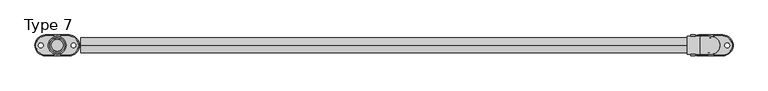
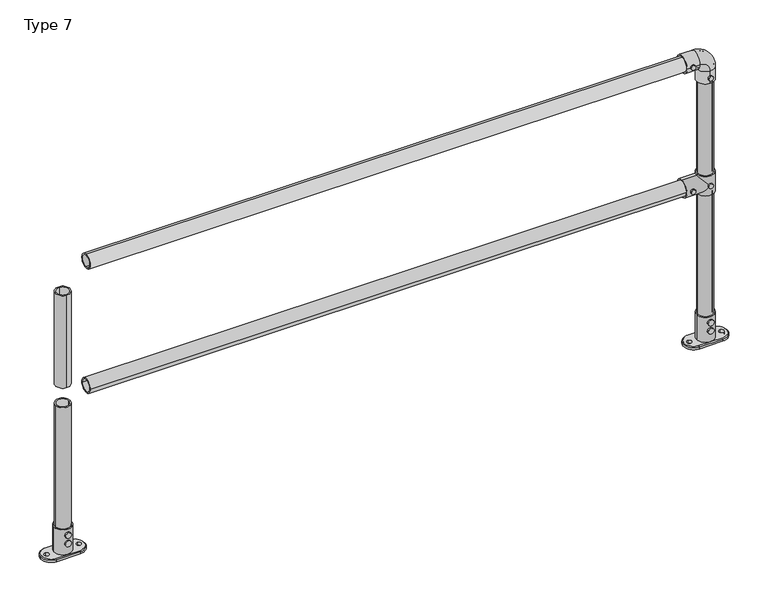
"""IFC4 building model written with IfcOpenShell, lengths in millimetres: proxy geometry, Type 7."""

from ifc_helpers import new_model, si_unit, point, frame, frame_2d, origin, origin_with_axes, origin_2d, place, context, project, spatial, polyline, circle_curve, ellipse_curve, trimmed, segment, composite_curve, outline, extrude, source, transform, mapped, element, save
from ifc_brep_helpers import plane_surface, cylinder_surface, revolved_surface, advanced_brep


def type_7_ddf90a4f(model_context):
    return source(origin(), model_context, "Body", "SolidModel", [
        extrude(outline(composite_curve([segment(trimmed(circle_curve(frame_2d((575.0, 2200.0)), 8.0), [point((575.0, 2208.0))], [point((575.0, 2192.0))], False, "CARTESIAN"), True, "CONTINUOUS"), segment(trimmed(circle_curve(frame_2d((575.0, 2200.0)), 8.0), [point((575.0, 2192.0))], [point((575.0, 2208.0))], False, "CARTESIAN"), True, "CONTINUOUS")], self_intersect=False)), frame((0.0, 30.0, 0.0), z_axis=(0.0, 1.0, 0.0), x_axis=(0.0, 0.0, 1.0)), (0.0, 0.0, 1.0), 5.0),
        extrude(outline(composite_curve([segment(trimmed(circle_curve(frame_2d((575.0, 2140.0)), 8.0), [point((575.0, 2148.0))], [point((575.0, 2132.0))], False, "CARTESIAN"), True, "CONTINUOUS"), segment(trimmed(circle_curve(frame_2d((575.0, 2140.0)), 8.0), [point((575.0, 2132.0))], [point((575.0, 2148.0))], False, "CARTESIAN"), True, "CONTINUOUS")], self_intersect=False)), frame((0.0, 30.0, 0.0), z_axis=(0.0, 1.0, 0.0), x_axis=(0.0, 0.0, 1.0)), (0.0, 0.0, 1.0), 5.0),
        extrude(outline(composite_curve([segment(trimmed(circle_curve(frame_2d((575.0, 2200.0)), 8.0), [point((575.0, 2208.0))], [point((575.0, 2192.0))], False, "CARTESIAN"), True, "CONTINUOUS"), segment(trimmed(circle_curve(frame_2d((575.0, 2200.0)), 8.0), [point((575.0, 2192.0))], [point((575.0, 2208.0))], False, "CARTESIAN"), True, "CONTINUOUS")], self_intersect=False)), frame((0.0, -35.0, 0.0), z_axis=(0.0, 1.0, 0.0), x_axis=(0.0, 0.0, 1.0)), (0.0, 0.0, 1.0), 5.0),
        extrude(outline(composite_curve([segment(trimmed(circle_curve(frame_2d((575.0, 2140.0)), 8.0), [point((575.0, 2148.0))], [point((575.0, 2132.0))], False, "CARTESIAN"), True, "CONTINUOUS"), segment(trimmed(circle_curve(frame_2d((575.0, 2140.0)), 8.0), [point((575.0, 2132.0))], [point((575.0, 2148.0))], False, "CARTESIAN"), True, "CONTINUOUS")], self_intersect=False)), frame((0.0, -35.0, 0.0), z_axis=(0.0, 1.0, 0.0), x_axis=(0.0, 0.0, 1.0)), (0.0, 0.0, 1.0), 5.0),
        advanced_brep(
        [(2230.0, 0.0, 610.0), (2170.0, 0.0, 610.0), (2200.0, -25.0, 610.0), (2200.0, 25.0, 610.0), (2230.0, 0.0, 540.0), (2170.0, 0.0, 540.0), (2200.0, 25.0, 540.0), (2200.0, -25.0, 540.0), (2170.0, 0.0, 605.0), (2200.0, -30.0, 575.0), (2170.0, 0.0, 545.0), (2200.0, 30.0, 575.0), (2120.0, 0.0, 545.0), (2120.0, 0.0, 605.0), (2120.0, 0.0, 600.0), (2120.0, 0.0, 550.0), (2175.0, 0.0, 550.0), (2200.0, 25.0, 575.0), (2175.0, 0.0, 600.0), (2200.0, -25.0, 575.0)],
        [
            (0, 1, circle_curve(frame((2200.0, 0.0, 610.0), z_axis=(0.0, 0.0, 1.0), x_axis=(-1.0, 0.0, 0.0)), 30.0)),
            (1, 0, circle_curve(frame((2200.0, 0.0, 610.0), z_axis=(0.0, 0.0, 1.0), x_axis=(-1.0, 0.0, 0.0)), 30.0)),
            (2, 3, circle_curve(frame((2200.0, 0.0, 610.0), z_axis=(0.0, 0.0, -1.0), x_axis=(0.0, 1.0, 0.0)), 25.0)),
            (3, 2, circle_curve(frame((2200.0, 0.0, 610.0), z_axis=(0.0, 0.0, -1.0), x_axis=(0.0, 1.0, 0.0)), 25.0)),
            (4, 5, circle_curve(frame((2200.0, 0.0, 540.0), z_axis=(0.0, 0.0, -1.0), x_axis=(-1.0, 0.0, 0.0)), 30.0)),
            (5, 4, circle_curve(frame((2200.0, 0.0, 540.0), z_axis=(0.0, 0.0, -1.0), x_axis=(-1.0, 0.0, 0.0)), 30.0)),
            (6, 7, circle_curve(frame((2200.0, 0.0, 540.0), z_axis=(0.0, 0.0, 1.0), x_axis=(0.0, 1.0, 0.0)), 25.0)),
            (7, 6, circle_curve(frame((2200.0, 0.0, 540.0), z_axis=(0.0, 0.0, 1.0), x_axis=(0.0, 1.0, 0.0)), 25.0)),
            (1, 8),
            (8, 9, ellipse_curve(frame((2200.0, 0.0, 575.0), z_axis=(0.7071067811865492, 0.0, 0.7071067811865458), x_axis=(-0.7071067811865458, 0.0, 0.7071067811865492)), 42.4264069, 30.0)),
            (9, 10, ellipse_curve(frame((2200.0, 0.0, 575.0), z_axis=(0.7071067811865458, 0.0, -0.7071067811865492), x_axis=(0.7071067811865492, 0.0, 0.7071067811865458)), 42.4264069, 30.0)),
            (10, 5),
            (4, 0),
            (10, 11, ellipse_curve(frame((2200.0, 0.0, 575.0), z_axis=(0.7071067811865458, 0.0, -0.7071067811865492), x_axis=(0.7071067811865492, 0.0, 0.7071067811865458)), 42.4264069, 30.0)),
            (11, 8, ellipse_curve(frame((2200.0, 0.0, 575.0), z_axis=(0.7071067811865492, 0.0, 0.7071067811865458), x_axis=(-0.7071067811865458, 0.0, 0.7071067811865492)), 42.4264069, 30.0)),
            (12, 13, circle_curve(frame((2120.0, 0.0, 575.0), z_axis=(-1.0, 0.0, 0.0), x_axis=(0.0, 0.0, 1.0)), 30.0)),
            (13, 12, circle_curve(frame((2120.0, 0.0, 575.0), z_axis=(-1.0, 0.0, 0.0), x_axis=(0.0, 0.0, 1.0)), 30.0)),
            (14, 15, circle_curve(frame((2120.0, 0.0, 575.0), z_axis=(1.0, 0.0, 0.0), x_axis=(0.0, 0.0, -1.0)), 25.0)),
            (15, 14, circle_curve(frame((2120.0, 0.0, 575.0), z_axis=(1.0, 0.0, 0.0), x_axis=(0.0, 0.0, -1.0)), 25.0)),
            (13, 8),
            (10, 12),
            (15, 16),
            (16, 17, ellipse_curve(frame((2200.0, 0.0, 575.0), z_axis=(0.7071067811865458, 0.0, -0.7071067811865492), x_axis=(0.7071067811865492, 0.0, 0.7071067811865457)), 35.3553391, 25.0)),
            (17, 18, ellipse_curve(frame((2200.0, 0.0, 575.0), z_axis=(0.7071067811865492, 0.0, 0.7071067811865458), x_axis=(0.7071067811865458, 0.0, -0.7071067811865492)), 35.3553391, 25.0)),
            (18, 14),
            (18, 19, ellipse_curve(frame((2200.0, 0.0, 575.0), z_axis=(0.7071067811865492, 0.0, 0.7071067811865458), x_axis=(0.7071067811865458, 0.0, -0.7071067811865492)), 35.3553391, 25.0)),
            (19, 16, ellipse_curve(frame((2200.0, 0.0, 575.0), z_axis=(0.7071067811865458, 0.0, -0.7071067811865492), x_axis=(0.7071067811865492, 0.0, 0.7071067811865457)), 35.3553391, 25.0)),
            (3, 17),
            (17, 6),
            (7, 19),
            (19, 2),
        ],
        [
            plane_surface(frame((2170.0, 0.0, 610.0), z_axis=(0.0, 0.0, 1.0), x_axis=(0.0, 1.0, 0.0))),
            plane_surface(frame((2170.0, 0.0, 540.0), z_axis=(0.0, 0.0, -1.0), x_axis=(0.0, -1.0, 0.0))),
            cylinder_surface(frame((2200.0, 0.0, 540.0), z_axis=(0.0, 0.0, 1.0), x_axis=(-1.0, 0.0, 0.0)), 30.0),
            plane_surface(frame((2120.0, 0.0, 605.0), z_axis=(-1.0, 0.0, 0.0), x_axis=(0.0, -1.0, 0.0))),
            cylinder_surface(frame((2200.0, 0.0, 575.0), z_axis=(-1.0, 0.0, 0.0), x_axis=(0.0, 0.0, 1.0)), 30.0),
            revolved_surface(polyline([(2225.00000002876, 0.0, 550.0), (2120.0, 0.0, 550.0)]), (2120.0, 0.0, 575.0), (1.0, 0.0, 0.0)),
            revolved_surface(polyline([(2200.0, 25.0, 540.0), (2200.0, 25.0, 610.0)]), (2200.0, 0.0, 610.0), (0.0, 0.0, -1.0)),
            revolved_surface(polyline([(2200.0, 25.0, 540.0), (2200.0, 25.0, 600.0000000287598)]), (2200.0, 0.0, 610.0), (0.0, 0.0, -1.0)),
            revolved_surface(polyline([(2200.0, 25.0, 549.9999999712401), (2200.0, 25.0, 610.0)]), (2200.0, 0.0, 610.0), (0.0, 0.0, -1.0)),
        ],
        [
            (0, [[1, 2], [3, 4]]),
            (1, [[5, 6], [7, 8]]),
            (2, [[9, 10, 11, 12, -5, 13, -2]]),
            (2, [[-13, -6, -12, 14, 15, -9, -1]]),
            (3, [[16, 17], [18, 19]]),
            (4, [[20, -15, -14, 21, -17]]),
            (4, [[-21, -11, -10, -20, -16]]),
            (5, [[22, 23, 24, 25, -19]]),
            (5, [[-25, 26, 27, -22, -18]]),
            (6, [[-4, 28, 29, -8, 30, 31]]),
            (7, [[-7, -29, -23, -27, -30]]),
            (8, [[-26, -24, -28, -3, -31]]),
        ],
    ),
        extrude(outline(composite_curve([segment(trimmed(circle_curve(frame_2d((1025.0, 2140.0)), 8.0), [point((1025.0, 2148.0))], [point((1025.0, 2132.0))], False, "CARTESIAN"), True, "CONTINUOUS"), segment(trimmed(circle_curve(frame_2d((1025.0, 2140.0)), 8.0), [point((1025.0, 2132.0))], [point((1025.0, 2148.0))], False, "CARTESIAN"), True, "CONTINUOUS")], self_intersect=False)), frame((0.0, -35.0, 0.0), z_axis=(0.0, 1.0, 0.0), x_axis=(0.0, 0.0, 1.0)), (0.0, 0.0, 1.0), 5.0),
        extrude(outline(composite_curve([segment(trimmed(circle_curve(frame_2d((965.0, 2200.0)), 8.0), [point((965.0, 2208.0))], [point((965.0, 2192.0))], False, "CARTESIAN"), True, "CONTINUOUS"), segment(trimmed(circle_curve(frame_2d((965.0, 2200.0)), 8.0), [point((965.0, 2192.0))], [point((965.0, 2208.0))], False, "CARTESIAN"), True, "CONTINUOUS")], self_intersect=False)), frame((0.0, -35.0, 0.0), z_axis=(0.0, 1.0, 0.0), x_axis=(0.0, 0.0, 1.0)), (0.0, 0.0, 1.0), 5.0),
        extrude(outline(composite_curve([segment(trimmed(circle_curve(frame_2d((1025.0, 2140.0)), 8.0), [point((1025.0, 2148.0))], [point((1025.0, 2132.0))], False, "CARTESIAN"), True, "CONTINUOUS"), segment(trimmed(circle_curve(frame_2d((1025.0, 2140.0)), 8.0), [point((1025.0, 2132.0))], [point((1025.0, 2148.0))], False, "CARTESIAN"), True, "CONTINUOUS")], self_intersect=False)), frame((0.0, 30.0, 0.0), z_axis=(0.0, 1.0, 0.0), x_axis=(0.0, 0.0, 1.0)), (0.0, 0.0, 1.0), 5.0),
        extrude(outline(composite_curve([segment(trimmed(circle_curve(frame_2d((965.0, 2200.0)), 8.0), [point((965.0, 2208.0))], [point((965.0, 2192.0))], False, "CARTESIAN"), True, "CONTINUOUS"), segment(trimmed(circle_curve(frame_2d((965.0, 2200.0)), 8.0), [point((965.0, 2192.0))], [point((965.0, 2208.0))], False, "CARTESIAN"), True, "CONTINUOUS")], self_intersect=False)), frame((0.0, 30.0, 0.0), z_axis=(0.0, 1.0, 0.0), x_axis=(0.0, 0.0, 1.0)), (0.0, 0.0, 1.0), 5.0),
        advanced_brep(
        [(2200.0, 30.0, 945.0), (2200.0, -30.0, 945.0), (2200.0, 25.0, 945.0), (2200.0, -25.0, 945.0), (2200.0, 30.0, 990.0), (2200.0, -30.0, 990.0), (2165.0, -30.0, 1025.0), (2165.0, 30.0, 1025.0), (2120.0, 30.0, 1025.0), (2120.0, -30.0, 1025.0), (2120.0, 25.0, 1025.0), (2120.0, -25.0, 1025.0), (2200.0, 25.0, 990.0), (2200.0, -25.0, 990.0), (2165.0, -25.0, 1025.0), (2165.0, 25.0, 1025.0)],
        [
            (0, 1, circle_curve(frame((2200.0, 0.0, 945.0), z_axis=(0.0, 0.0, -1.0), x_axis=(0.0, -1.0, 0.0)), 30.0)),
            (1, 0, circle_curve(frame((2200.0, 0.0, 945.0), z_axis=(0.0, 0.0, -1.0), x_axis=(0.0, -1.0, 0.0)), 30.0)),
            (2, 3, circle_curve(frame((2200.0, 0.0, 945.0), z_axis=(0.0, 0.0, 1.0), x_axis=(0.0, -1.0, 0.0)), 25.0)),
            (3, 2, circle_curve(frame((2200.0, 0.0, 945.0), z_axis=(0.0, 0.0, 1.0), x_axis=(0.0, -1.0, 0.0)), 25.0)),
            (0, 4),
            (4, 5, circle_curve(frame((2200.0, 0.0, 990.0), z_axis=(0.0, 0.0, -1.0), x_axis=(0.0, -1.0, 0.0)), 30.0)),
            (5, 1),
            (5, 4, circle_curve(frame((2200.0, 0.0, 990.0), z_axis=(0.0, 0.0, -1.0), x_axis=(0.0, -1.0, 0.0)), 30.0)),
            (6, 5, circle_curve(frame((2165.0, -30.0, 990.0), z_axis=(0.0, 1.0, 0.0), x_axis=(1.0, 0.0, 0.0)), 35.0)),
            (4, 7, circle_curve(frame((2165.0, 30.0, 990.0), z_axis=(0.0, -1.0, 0.0), x_axis=(1.0, 0.0, 0.0)), 35.0)),
            (7, 6, circle_curve(frame((2165.0, 0.0, 1025.0), z_axis=(1.0, 0.0, 0.0), x_axis=(0.0, -1.0, 0.0)), 30.0)),
            (6, 7, circle_curve(frame((2165.0, 0.0, 1025.0), z_axis=(1.0, 0.0, 0.0), x_axis=(0.0, -1.0, 0.0)), 30.0)),
            (8, 9, circle_curve(frame((2120.0, 0.0, 1025.0), z_axis=(-1.0, 0.0, 0.0), x_axis=(0.0, -1.0, 0.0)), 30.0)),
            (9, 8, circle_curve(frame((2120.0, 0.0, 1025.0), z_axis=(-1.0, 0.0, 0.0), x_axis=(0.0, -1.0, 0.0)), 30.0)),
            (10, 11, circle_curve(frame((2120.0, 0.0, 1025.0), z_axis=(1.0, 0.0, 0.0), x_axis=(0.0, -1.0, 0.0)), 25.0)),
            (11, 10, circle_curve(frame((2120.0, 0.0, 1025.0), z_axis=(1.0, 0.0, 0.0), x_axis=(0.0, -1.0, 0.0)), 25.0)),
            (7, 8),
            (9, 6),
            (2, 12),
            (12, 13, circle_curve(frame((2200.0, 0.0, 990.0), z_axis=(0.0, 0.0, 1.0), x_axis=(0.0, -1.0, 0.0)), 25.0)),
            (13, 3),
            (13, 12, circle_curve(frame((2200.0, 0.0, 990.0), z_axis=(0.0, 0.0, 1.0), x_axis=(0.0, -1.0, 0.0)), 25.0)),
            (14, 13, circle_curve(frame((2165.0, -25.0, 990.0), z_axis=(0.0, 1.0, 0.0), x_axis=(1.0, 0.0, 0.0)), 35.0)),
            (12, 15, circle_curve(frame((2165.0, 25.0, 990.0), z_axis=(0.0, -1.0, 0.0), x_axis=(1.0, 0.0, 0.0)), 35.0)),
            (15, 14, circle_curve(frame((2165.0, 0.0, 1025.0), z_axis=(-1.0, 0.0, 0.0), x_axis=(0.0, -1.0, 0.0)), 25.0)),
            (14, 15, circle_curve(frame((2165.0, 0.0, 1025.0), z_axis=(-1.0, 0.0, 0.0), x_axis=(0.0, -1.0, 0.0)), 25.0)),
            (15, 10),
            (11, 14),
        ],
        [
            plane_surface(frame((2170.0, 0.0, 945.0), z_axis=(0.0, 0.0, -1.0), x_axis=(0.0, 1.0, 0.0))),
            cylinder_surface(frame((2200.0, 0.0, 945.0), z_axis=(0.0, 0.0, -1.0), x_axis=(0.0, -1.0, 0.0)), 30.0),
            revolved_surface(trimmed(ellipse_curve(frame((2200.0, 0.0, 990.0), z_axis=(0.0, 0.0, -1.0), x_axis=(0.0, -1.0, 0.0)), 30.0, 30.0), [point((2200.0, 30.0, 990.0))], [point((2200.0, -30.0, 990.0))], True, "CARTESIAN"), (2165.0, 0.0, 990.0), (0.0, -1.0, 0.0)),
            revolved_surface(trimmed(ellipse_curve(frame((2200.0, 0.0, 990.0), z_axis=(0.0, 0.0, -1.0), x_axis=(0.0, -1.0, 0.0)), 30.0, 30.0), [point((2200.0, -30.0, 990.0))], [point((2200.0, 30.0, 990.0))], True, "CARTESIAN"), (2165.0, 0.0, 990.0), (0.0, -1.0, 0.0)),
            plane_surface(frame((2120.0, 0.0, 995.0), z_axis=(-1.0, 0.0, 0.0), x_axis=(0.0, 1.0, 0.0))),
            cylinder_surface(frame((2165.0, 0.0, 1025.0), z_axis=(1.0, 0.0, 0.0), x_axis=(0.0, -1.0, 0.0)), 30.0),
            revolved_surface(polyline([(2200.0, -25.0, 990.0), (2200.0, -25.0, 945.0)]), (2200.0, 0.0, 945.0), (0.0, 0.0, 1.0)),
            revolved_surface(trimmed(ellipse_curve(frame((2200.0, 0.0, 990.0), z_axis=(0.0, 0.0, 1.0), x_axis=(0.0, -1.0, 0.0)), 25.0, 25.0), [point((2200.0, 25.0, 990.0))], [point((2200.0, -25.0, 990.0))], True, "CARTESIAN"), (2165.0, 0.0, 990.0), (0.0, -1.0, 0.0)),
            revolved_surface(trimmed(ellipse_curve(frame((2200.0, 0.0, 990.0), z_axis=(0.0, 0.0, 1.0), x_axis=(0.0, -1.0, 0.0)), 25.0, 25.0), [point((2200.0, -25.0, 990.0))], [point((2200.0, 25.0, 990.0))], True, "CARTESIAN"), (2165.0, 0.0, 990.0), (0.0, -1.0, 0.0)),
            revolved_surface(polyline([(2120.0, -25.0, 1025.0), (2165.0, -25.0, 1025.0)]), (2165.0, 0.0, 1025.0), (-1.0, 0.0, 0.0)),
        ],
        [
            (0, [[1, 2], [3, 4]]),
            (1, [[-1, 5, 6, 7]]),
            (1, [[-2, -7, 8, -5]]),
            (2, [[9, -6, 10, 11]]),
            (3, [[-10, -8, -9, 12]]),
            (4, [[13, 14], [15, 16]]),
            (5, [[-11, 17, -14, 18]]),
            (5, [[-12, -18, -13, -17]]),
            (6, [[-3, 19, 20, 21]]),
            (6, [[-4, -21, 22, -19]]),
            (7, [[23, -20, 24, 25]]),
            (8, [[-24, -22, -23, 26]]),
            (9, [[-25, 27, -16, 28]]),
            (9, [[-26, -28, -15, -27]]),
        ],
    ),
        extrude(outline(composite_curve([segment(trimmed(circle_curve(frame_2d((0.0, 575.0)), 25.0), [point((25.0, 575.0))], [point((-25.0, 575.0))], False, "CARTESIAN"), True, "CONTINUOUS"), segment(trimmed(circle_curve(frame_2d((0.0, 575.0)), 25.0), [point((-25.0, 575.0))], [point((25.0, 575.0))], False, "CARTESIAN"), True, "CONTINUOUS")], self_intersect=False), holes=[composite_curve([segment(trimmed(circle_curve(frame_2d((0.0, 575.0)), 20.0), [point((20.0, 575.0))], [point((-20.0, 575.0))], True, "CARTESIAN"), True, "CONTINUOUS"), segment(trimmed(circle_curve(frame_2d((0.0, 575.0)), 20.0), [point((-20.0, 575.0))], [point((20.0, 575.0))], True, "CARTESIAN"), True, "CONTINUOUS")], self_intersect=False)]), frame((80.0, 0.0, 0.0), z_axis=(1.0, 0.0, 0.0), x_axis=(0.0, 1.0, 0.0)), (0.0, 0.0, 1.0), 2040.0),
        extrude(outline(composite_curve([segment(trimmed(circle_curve(frame_2d((0.0, 1025.0)), 25.0), [point((0.0, 1050.0))], [point((0.0, 1000.0))], False, "CARTESIAN"), True, "CONTINUOUS"), segment(trimmed(circle_curve(frame_2d((0.0, 1025.0)), 25.0), [point((0.0, 1000.0))], [point((0.0, 1050.0))], False, "CARTESIAN"), True, "CONTINUOUS")], self_intersect=False), holes=[composite_curve([segment(trimmed(circle_curve(frame_2d((0.0, 1025.0)), 20.0), [point((0.0, 1045.0))], [point((0.0, 1005.0))], True, "CARTESIAN"), True, "CONTINUOUS"), segment(trimmed(circle_curve(frame_2d((0.0, 1025.0)), 20.0), [point((0.0, 1005.0))], [point((0.0, 1045.0))], True, "CARTESIAN"), True, "CONTINUOUS")], self_intersect=False)]), frame((80.0, 0.0, 0.0), z_axis=(1.0, 0.0, 0.0), x_axis=(0.0, 1.0, 0.0)), (0.0, 0.0, 1.0), 2040.0),
        extrude(outline(composite_curve([segment(trimmed(circle_curve(frame_2d((2200.0, 0.0)), 25.0), [point((2175.0, 0.0))], [point((2225.0, 0.0))], False, "CARTESIAN"), True, "CONTINUOUS"), segment(trimmed(circle_curve(frame_2d((2200.0, 0.0)), 25.0), [point((2225.0, 0.0))], [point((2175.0, 0.0))], False, "CARTESIAN"), True, "CONTINUOUS")], self_intersect=False), holes=[composite_curve([segment(trimmed(circle_curve(frame_2d((2200.0, 0.0)), 20.0), [point((2180.0, 0.0))], [point((2220.0, 0.0))], True, "CARTESIAN"), True, "CONTINUOUS"), segment(trimmed(circle_curve(frame_2d((2200.0, 0.0)), 20.0), [point((2220.0, 0.0))], [point((2180.0, 0.0))], True, "CARTESIAN"), True, "CONTINUOUS")], self_intersect=False)]), frame((0.0, 0.0, 610.0), z_axis=(0.0, 0.0, 1.0), x_axis=(1.0, 0.0, 0.0)), (0.0, 0.0, 1.0), 335.0),
        extrude(outline(composite_curve([segment(trimmed(circle_curve(frame_2d((2200.0, 0.0)), 25.0), [point((2225.0, 0.0))], [point((2175.0, 0.0))], False, "CARTESIAN"), True, "CONTINUOUS"), segment(trimmed(circle_curve(frame_2d((2200.0, 0.0)), 25.0), [point((2175.0, 0.0))], [point((2225.0, 0.0))], False, "CARTESIAN"), True, "CONTINUOUS")], self_intersect=False), holes=[composite_curve([segment(trimmed(circle_curve(frame_2d((2200.0, 0.0)), 20.0), [point((2220.0, 0.0))], [point((2180.0, 0.0))], True, "CARTESIAN"), True, "CONTINUOUS"), segment(trimmed(circle_curve(frame_2d((2200.0, 0.0)), 20.0), [point((2180.0, 0.0))], [point((2220.0, 0.0))], True, "CARTESIAN"), True, "CONTINUOUS")], self_intersect=False)]), frame((0.0, 0.0, 100.0), z_axis=(0.0, 0.0, 1.0), x_axis=(1.0, 0.0, 0.0)), (0.0, 0.0, 1.0), 440.0),
        extrude(outline(composite_curve([segment(trimmed(circle_curve(frame_2d((80.0, 2200.0)), 10.0), [point((80.0, 2190.0))], [point((80.0, 2210.0))], False, "CARTESIAN"), True, "CONTINUOUS"), segment(trimmed(circle_curve(frame_2d((80.0, 2200.0)), 10.0), [point((80.0, 2210.0))], [point((80.0, 2190.0))], False, "CARTESIAN"), True, "CONTINUOUS")], self_intersect=False)), frame((0.0, -35.0, 0.0), z_axis=(0.0, 1.0, 0.0), x_axis=(0.0, 0.0, 1.0)), (0.0, 0.0, 1.0), 5.0),
        extrude(outline(composite_curve([segment(trimmed(circle_curve(frame_2d((50.0, 2200.0)), 10.0), [point((50.0, 2190.0))], [point((50.0, 2210.0))], False, "CARTESIAN"), True, "CONTINUOUS"), segment(trimmed(circle_curve(frame_2d((50.0, 2200.0)), 10.0), [point((50.0, 2210.0))], [point((50.0, 2190.0))], False, "CARTESIAN"), True, "CONTINUOUS")], self_intersect=False)), frame((0.0, -35.0, 0.0), z_axis=(0.0, 1.0, 0.0), x_axis=(0.0, 0.0, 1.0)), (0.0, 0.0, 1.0), 5.0),
        extrude(outline(composite_curve([segment(trimmed(circle_curve(frame_2d((80.0, 2200.0)), 10.0), [point((80.0, 2190.0))], [point((80.0, 2210.0))], False, "CARTESIAN"), True, "CONTINUOUS"), segment(trimmed(circle_curve(frame_2d((80.0, 2200.0)), 10.0), [point((80.0, 2210.0))], [point((80.0, 2190.0))], False, "CARTESIAN"), True, "CONTINUOUS")], self_intersect=False)), frame((0.0, 30.0, 0.0), z_axis=(0.0, 1.0, 0.0), x_axis=(0.0, 0.0, 1.0)), (0.0, 0.0, 1.0), 5.0),
        extrude(outline(composite_curve([segment(trimmed(circle_curve(frame_2d((50.0, 2200.0)), 10.0), [point((50.0, 2190.0))], [point((50.0, 2210.0))], False, "CARTESIAN"), True, "CONTINUOUS"), segment(trimmed(circle_curve(frame_2d((50.0, 2200.0)), 10.0), [point((50.0, 2210.0))], [point((50.0, 2190.0))], False, "CARTESIAN"), True, "CONTINUOUS")], self_intersect=False)), frame((0.0, 30.0, 0.0), z_axis=(0.0, 1.0, 0.0), x_axis=(0.0, 0.0, 1.0)), (0.0, 0.0, 1.0), 5.0),
        advanced_brep(
        [(2225.0, 0.0, 10.0), (2175.0, 0.0, 10.0), (2240.0, 32.0, 10.0), (2160.0, 32.0, 10.0), (2160.0, -32.0, 10.0), (2240.0, -32.0, 10.0), (2230.0, 0.0, 10.0), (2170.0, 0.0, 10.0), (2145.0, 8.0, 10.0), (2145.0, -8.0, 10.0), (2255.0, 8.0, 10.0), (2255.0, -8.0, 10.0), (2240.0, -35.0, 0.0), (2160.0, -35.0, 0.0), (2160.0, 35.0, 0.0), (2240.0, 35.0, 0.0), (2145.0, -8.0, 0.0), (2145.0, 8.0, 0.0), (2255.0, -8.0, 0.0), (2255.0, 8.0, 0.0), (2240.0, -35.0, 7.0), (2160.0, -35.0, 7.0), (2160.0, 35.0, 7.0), (2240.0, 35.0, 7.0), (2170.0, 0.0, 100.0), (2230.0, 0.0, 100.0), (2175.0, 0.0, 100.0), (2225.0, 0.0, 100.0)],
        [
            (0, 1, circle_curve(frame((2200.0, 0.0, 10.0), z_axis=(0.0, 0.0, 1.0), x_axis=(1.0, 0.0, 0.0)), 25.0)),
            (1, 0, circle_curve(frame((2200.0, 0.0, 10.0), z_axis=(0.0, 0.0, 1.0), x_axis=(1.0, 0.0, 0.0)), 25.0)),
            (2, 3),
            (3, 4, circle_curve(frame((2160.0, 0.0, 10.0), z_axis=(0.0, 0.0, 1.0), x_axis=(0.0, -1.0, 0.0)), 32.0)),
            (4, 5),
            (5, 2, circle_curve(frame((2240.0, 0.0, 10.0), z_axis=(0.0, 0.0, 1.0), x_axis=(0.0, 1.0, 0.0)), 32.0)),
            (6, 7, circle_curve(frame((2200.0, 0.0, 10.0), z_axis=(0.0, 0.0, -1.0), x_axis=(1.0, 0.0, 0.0)), 30.0)),
            (7, 6, circle_curve(frame((2200.0, 0.0, 10.0), z_axis=(0.0, 0.0, -1.0), x_axis=(1.0, 0.0, 0.0)), 30.0)),
            (8, 9, circle_curve(frame((2145.0, 0.0, 10.0), z_axis=(0.0, 0.0, -1.0), x_axis=(0.0, -1.0, 0.0)), 8.0)),
            (9, 8, circle_curve(frame((2145.0, 0.0, 10.0), z_axis=(0.0, 0.0, -1.0), x_axis=(0.0, -1.0, 0.0)), 8.0)),
            (10, 11, circle_curve(frame((2255.0, 0.0, 10.0), z_axis=(0.0, 0.0, -1.0), x_axis=(0.0, -1.0, 0.0)), 8.0)),
            (11, 10, circle_curve(frame((2255.0, 0.0, 10.0), z_axis=(0.0, 0.0, -1.0), x_axis=(0.0, -1.0, 0.0)), 8.0)),
            (12, 13),
            (13, 14, circle_curve(frame((2160.0, 0.0, 0.0), z_axis=(0.0, 0.0, -1.0), x_axis=(1.0, 0.0, 0.0)), 35.0)),
            (14, 15),
            (15, 12, circle_curve(frame((2240.0, 0.0, 0.0), z_axis=(0.0, 0.0, -1.0), x_axis=(1.0, 0.0, 0.0)), 35.0)),
            (16, 17, circle_curve(frame((2145.0, 0.0, 0.0), z_axis=(0.0, 0.0, 1.0), x_axis=(0.0, -1.0, 0.0)), 8.0)),
            (17, 16, circle_curve(frame((2145.0, 0.0, 0.0), z_axis=(0.0, 0.0, 1.0), x_axis=(0.0, -1.0, 0.0)), 8.0)),
            (18, 19, circle_curve(frame((2255.0, 0.0, 0.0), z_axis=(0.0, 0.0, 1.0), x_axis=(0.0, -1.0, 0.0)), 8.0)),
            (19, 18, circle_curve(frame((2255.0, 0.0, 0.0), z_axis=(0.0, 0.0, 1.0), x_axis=(0.0, -1.0, 0.0)), 8.0)),
            (12, 20),
            (20, 21),
            (21, 13),
            (21, 22, circle_curve(frame((2160.0, 0.0, 7.0), z_axis=(0.0, 0.0, -1.0), x_axis=(1.0, 0.0, 0.0)), 35.0)),
            (22, 14),
            (22, 23),
            (23, 15),
            (23, 20, circle_curve(frame((2240.0, 0.0, 7.0), z_axis=(0.0, 0.0, -1.0), x_axis=(1.0, 0.0, 0.0)), 35.0)),
            (24, 25, circle_curve(frame((2200.0, 0.0, 100.0), z_axis=(0.0, 0.0, 1.0), x_axis=(1.0, 0.0, 0.0)), 30.0)),
            (25, 24, circle_curve(frame((2200.0, 0.0, 100.0), z_axis=(0.0, 0.0, 1.0), x_axis=(1.0, 0.0, 0.0)), 30.0)),
            (26, 27, circle_curve(frame((2200.0, 0.0, 100.0), z_axis=(0.0, 0.0, -1.0), x_axis=(1.0, 0.0, 0.0)), 25.0)),
            (27, 26, circle_curve(frame((2200.0, 0.0, 100.0), z_axis=(0.0, 0.0, -1.0), x_axis=(1.0, 0.0, 0.0)), 25.0)),
            (25, 6),
            (7, 24),
            (27, 0),
            (1, 26),
            (23, 2),
            (5, 20),
            (4, 21),
            (3, 22),
            (17, 8),
            (9, 16),
            (19, 10),
            (11, 18),
        ],
        [
            plane_surface(frame((2160.0, -35.0, 10.0), z_axis=(0.0, 0.0, 1.0), x_axis=(-1.0, 0.0, 0.0))),
            plane_surface(frame((2160.0, -35.0, 0.0), z_axis=(0.0, 0.0, -1.0), x_axis=(1.0, 0.0, 0.0))),
            plane_surface(frame((2240.0, -35.0, 10.0), z_axis=(0.0, -1.0, 0.0), x_axis=(0.0, 0.0, -1.0))),
            cylinder_surface(frame((2160.0, 0.0, 0.0), z_axis=(0.0, 0.0, 1.0), x_axis=(1.0, 0.0, 0.0)), 35.0),
            plane_surface(frame((2160.0, 35.0, 10.0), z_axis=(0.0, 1.0, 0.0), x_axis=(0.0, 0.0, -1.0))),
            cylinder_surface(frame((2240.0, 0.0, 0.0), z_axis=(0.0, 0.0, 1.0), x_axis=(1.0, 0.0, 0.0)), 35.0),
            plane_surface(frame((2230.0, 0.0, 100.0), z_axis=(0.0, 0.0, 1.0), x_axis=(0.0, -1.0, 0.0))),
            cylinder_surface(frame((2200.0, 0.0, 0.0), z_axis=(0.0, 0.0, 1.0), x_axis=(1.0, 0.0, 0.0)), 30.0),
            revolved_surface(polyline([(2225.0, 0.0, 10.0), (2225.0, 0.0, 100.0)]), (2200.0, 0.0, 0.0), (0.0, 0.0, -1.0)),
            revolved_surface(polyline([(2240.0, 35.0, 7.0), (2240.0, 32.0, 10.0)]), (2240.0, 0.0, 10.0), (0.0, 0.0, 1.0)),
            plane_surface(frame((2240.0, -32.0, 10.0), z_axis=(0.0, -0.7071067811865211, 0.707106781186574), x_axis=(-1.0, 0.0, 0.0))),
            revolved_surface(polyline([(2160.0, -35.0, 7.0), (2160.0, -32.0, 10.0)]), (2160.0, 0.0, 10.0), (0.0, 0.0, 1.0)),
            plane_surface(frame((2160.0, 32.0, 10.0), z_axis=(0.0, 0.7071067811865211, 0.707106781186574), x_axis=(1.0, 0.0, 0.0))),
            revolved_surface(polyline([(2145.0, -8.0, 0.0), (2145.0, -8.0, 10.0)]), (2145.0, 0.0, 10.0), (0.0, 0.0, -1.0)),
            revolved_surface(polyline([(2255.0, -8.0, 0.0), (2255.0, -8.0, 10.0)]), (2255.0, 0.0, 0.0), (0.0, 0.0, -1.0)),
        ],
        [
            (0, [[1, 2]]),
            (0, [[3, 4, 5, 6], [7, 8], [9, 10], [11, 12]]),
            (1, [[13, 14, 15, 16], [17, 18], [19, 20]]),
            (2, [[21, 22, 23, -13]]),
            (3, [[-23, 24, 25, -14]]),
            (4, [[-25, 26, 27, -15]]),
            (5, [[-27, 28, -21, -16]]),
            (6, [[29, 30], [31, 32]]),
            (7, [[33, -8, 34, -30]]),
            (7, [[-34, -7, -33, -29]]),
            (8, [[35, -2, 36, -32]]),
            (8, [[-36, -1, -35, -31]]),
            (9, [[-28, 37, -6, 38]]),
            (10, [[-5, 39, -22, -38]]),
            (11, [[-4, 40, -24, -39]]),
            (12, [[-26, -40, -3, -37]]),
            (13, [[-18, 41, -10, 42]]),
            (13, [[-9, -41, -17, -42]]),
            (14, [[-20, 43, -12, 44]]),
            (14, [[-11, -43, -19, -44]]),
        ],
    ),
        extrude(outline(composite_curve([segment(trimmed(circle_curve(origin_2d(), 25.0), [point((0.0, 25.0))], [point((0.0, -25.0))], False, "CARTESIAN"), True, "CONTINUOUS"), segment(trimmed(circle_curve(origin_2d(), 25.0), [point((0.0, -25.0))], [point((0.0, 25.0))], False, "CARTESIAN"), True, "CONTINUOUS")], self_intersect=False), holes=[composite_curve([segment(trimmed(circle_curve(origin_2d(), 20.0), [point((0.0, 20.0))], [point((0.0, -20.0))], True, "CARTESIAN"), True, "CONTINUOUS"), segment(trimmed(circle_curve(origin_2d(), 20.0), [point((0.0, -20.0))], [point((0.0, 20.0))], True, "CARTESIAN"), True, "CONTINUOUS")], self_intersect=False)]), frame((0.0, 0.0, 610.0), z_axis=(0.0, 0.0, 1.0), x_axis=(1.0, 0.0, 0.0)), (0.0, 0.0, 1.0), 335.0),
        extrude(outline(composite_curve([segment(trimmed(circle_curve(origin_2d(), 25.0), [point((25.0, 0.0))], [point((-25.0, 0.0))], False, "CARTESIAN"), True, "CONTINUOUS"), segment(trimmed(circle_curve(origin_2d(), 25.0), [point((-25.0, 0.0))], [point((25.0, 0.0))], False, "CARTESIAN"), True, "CONTINUOUS")], self_intersect=False), holes=[composite_curve([segment(trimmed(circle_curve(origin_2d(), 20.0), [point((20.0, 0.0))], [point((-20.0, 0.0))], True, "CARTESIAN"), True, "CONTINUOUS"), segment(trimmed(circle_curve(origin_2d(), 20.0), [point((-20.0, 0.0))], [point((20.0, 0.0))], True, "CARTESIAN"), True, "CONTINUOUS")], self_intersect=False)]), frame((0.0, 0.0, 100.0), z_axis=(0.0, 0.0, 1.0), x_axis=(1.0, 0.0, 0.0)), (0.0, 0.0, 1.0), 440.0),
        extrude(outline(composite_curve([segment(trimmed(circle_curve(frame_2d((50.0, 0.0)), 10.0), [point((50.0, -10.0))], [point((50.0, 10.0))], False, "CARTESIAN"), True, "CONTINUOUS"), segment(trimmed(circle_curve(frame_2d((50.0, 0.0)), 10.0), [point((50.0, 10.0))], [point((50.0, -10.0))], False, "CARTESIAN"), True, "CONTINUOUS")], self_intersect=False)), frame((0.0, -35.0, 0.0), z_axis=(0.0, 1.0, 0.0), x_axis=(0.0, 0.0, 1.0)), (0.0, 0.0, 1.0), 5.0),
        extrude(outline(composite_curve([segment(trimmed(circle_curve(frame_2d((80.0, 0.0)), 10.0), [point((80.0, -10.0))], [point((80.0, 10.0))], False, "CARTESIAN"), True, "CONTINUOUS"), segment(trimmed(circle_curve(frame_2d((80.0, 0.0)), 10.0), [point((80.0, 10.0))], [point((80.0, -10.0))], False, "CARTESIAN"), True, "CONTINUOUS")], self_intersect=False)), frame((0.0, -35.0, 0.0), z_axis=(0.0, 1.0, 0.0), x_axis=(0.0, 0.0, 1.0)), (0.0, 0.0, 1.0), 5.0),
        extrude(outline(composite_curve([segment(trimmed(circle_curve(frame_2d((50.0, 0.0)), 10.0), [point((50.0, -10.0))], [point((50.0, 10.0))], False, "CARTESIAN"), True, "CONTINUOUS"), segment(trimmed(circle_curve(frame_2d((50.0, 0.0)), 10.0), [point((50.0, 10.0))], [point((50.0, -10.0))], False, "CARTESIAN"), True, "CONTINUOUS")], self_intersect=False)), frame((0.0, 30.0, 0.0), z_axis=(0.0, 1.0, 0.0), x_axis=(0.0, 0.0, 1.0)), (0.0, 0.0, 1.0), 5.0),
        extrude(outline(composite_curve([segment(trimmed(circle_curve(frame_2d((80.0, 0.0)), 10.0), [point((80.0, -10.0))], [point((80.0, 10.0))], False, "CARTESIAN"), True, "CONTINUOUS"), segment(trimmed(circle_curve(frame_2d((80.0, 0.0)), 10.0), [point((80.0, 10.0))], [point((80.0, -10.0))], False, "CARTESIAN"), True, "CONTINUOUS")], self_intersect=False)), frame((0.0, 30.0, 0.0), z_axis=(0.0, 1.0, 0.0), x_axis=(0.0, 0.0, 1.0)), (0.0, 0.0, 1.0), 5.0),
        advanced_brep(
        [(-30.0, 0.0, 100.0), (30.0, 0.0, 100.0), (-25.0, 0.0, 100.0), (25.0, 0.0, 100.0), (40.0, -35.0, 0.0), (-40.0, -35.0, 0.0), (-75.0, 0.0, 0.0), (-40.0, 35.0, 0.0), (40.0, 35.0, 0.0), (75.0, 0.0, 0.0), (-55.0, -8.0, 0.0), (-55.0, 8.0, 0.0), (55.0, -8.0, 0.0), (55.0, 8.0, 0.0), (30.0, 0.0, 10.0), (-30.0, 0.0, 10.0), (25.0, 0.0, 10.0), (-25.0, 0.0, 10.0), (40.0, 32.0, 10.0), (-40.0, 32.0, 10.0), (-72.0, 0.0, 10.0), (-40.0, -32.0, 10.0), (40.0, -32.0, 10.0), (72.0, 0.0, 10.0), (-55.0, 8.0, 10.0), (-55.0, -8.0, 10.0), (55.0, 8.0, 10.0), (55.0, -8.0, 10.0), (40.0, -35.0, 7.0), (-40.0, -35.0, 7.0), (-75.0, 0.0, 7.0), (-40.0, 35.0, 7.0), (40.0, 35.0, 7.0), (75.0, 0.0, 7.0)],
        [
            (0, 1, circle_curve(frame((0.0, 0.0, 100.0), z_axis=(0.0, 0.0, 1.0), x_axis=(1.0, 0.0, 0.0)), 30.0)),
            (1, 0, circle_curve(frame((0.0, 0.0, 100.0), z_axis=(0.0, 0.0, 1.0), x_axis=(1.0, 0.0, 0.0)), 30.0)),
            (2, 3, circle_curve(frame((0.0, 0.0, 100.0), z_axis=(0.0, 0.0, -1.0), x_axis=(1.0, 0.0, 0.0)), 25.0)),
            (3, 2, circle_curve(frame((0.0, 0.0, 100.0), z_axis=(0.0, 0.0, -1.0), x_axis=(1.0, 0.0, 0.0)), 25.0)),
            (4, 5),
            (5, 6, circle_curve(frame((-40.0, 0.0, 0.0), z_axis=(0.0, 0.0, -1.0), x_axis=(1.0, 0.0, 0.0)), 35.0)),
            (6, 7, circle_curve(frame((-40.0, 0.0, 0.0), z_axis=(0.0, 0.0, -1.0), x_axis=(1.0, 0.0, 0.0)), 35.0)),
            (7, 8),
            (8, 9, circle_curve(frame((40.0, 0.0, 0.0), z_axis=(0.0, 0.0, -1.0), x_axis=(1.0, 0.0, 0.0)), 35.0)),
            (9, 4, circle_curve(frame((40.0, 0.0, 0.0), z_axis=(0.0, 0.0, -1.0), x_axis=(1.0, 0.0, 0.0)), 35.0)),
            (10, 11, circle_curve(frame((-55.0, 0.0, 0.0), z_axis=(0.0, 0.0, 1.0), x_axis=(0.0, -1.0, 0.0)), 8.0)),
            (11, 10, circle_curve(frame((-55.0, 0.0, 0.0), z_axis=(0.0, 0.0, 1.0), x_axis=(0.0, -1.0, 0.0)), 8.0)),
            (12, 13, circle_curve(frame((55.0, 0.0, 0.0), z_axis=(0.0, 0.0, 1.0), x_axis=(0.0, -1.0, 0.0)), 8.0)),
            (13, 12, circle_curve(frame((55.0, 0.0, 0.0), z_axis=(0.0, 0.0, 1.0), x_axis=(0.0, -1.0, 0.0)), 8.0)),
            (1, 14),
            (14, 15, circle_curve(frame((0.0, 0.0, 10.0), z_axis=(0.0, 0.0, 1.0), x_axis=(1.0, 0.0, 0.0)), 30.0)),
            (15, 0),
            (15, 14, circle_curve(frame((0.0, 0.0, 10.0), z_axis=(0.0, 0.0, 1.0), x_axis=(1.0, 0.0, 0.0)), 30.0)),
            (3, 16),
            (16, 17, circle_curve(frame((0.0, 0.0, 10.0), z_axis=(0.0, 0.0, -1.0), x_axis=(1.0, 0.0, 0.0)), 25.0)),
            (17, 2),
            (17, 16, circle_curve(frame((0.0, 0.0, 10.0), z_axis=(0.0, 0.0, -1.0), x_axis=(1.0, 0.0, 0.0)), 25.0)),
            (18, 19),
            (19, 20, circle_curve(frame((-40.0, 0.0, 10.0), z_axis=(0.0, 0.0, 1.0), x_axis=(-1.0, 0.0, 0.0)), 32.0)),
            (20, 21, circle_curve(frame((-40.0, 0.0, 10.0), z_axis=(0.0, 0.0, 1.0), x_axis=(0.0, -1.0, 0.0)), 32.0)),
            (21, 22),
            (22, 23, circle_curve(frame((40.0, 0.0, 10.0), z_axis=(0.0, 0.0, 1.0), x_axis=(1.0, 0.0, 0.0)), 32.0)),
            (23, 18, circle_curve(frame((40.0, 0.0, 10.0), z_axis=(0.0, 0.0, 1.0), x_axis=(0.0, 1.0, 0.0)), 32.0)),
            (24, 25, circle_curve(frame((-55.0, 0.0, 10.0), z_axis=(0.0, 0.0, -1.0), x_axis=(0.0, -1.0, 0.0)), 8.0)),
            (25, 24, circle_curve(frame((-55.0, 0.0, 10.0), z_axis=(0.0, 0.0, -1.0), x_axis=(0.0, -1.0, 0.0)), 8.0)),
            (26, 27, circle_curve(frame((55.0, 0.0, 10.0), z_axis=(0.0, 0.0, -1.0), x_axis=(0.0, -1.0, 0.0)), 8.0)),
            (27, 26, circle_curve(frame((55.0, 0.0, 10.0), z_axis=(0.0, 0.0, -1.0), x_axis=(0.0, -1.0, 0.0)), 8.0)),
            (4, 28),
            (28, 29),
            (29, 5),
            (29, 30, circle_curve(frame((-40.0, 0.0, 7.0), z_axis=(0.0, 0.0, -1.0), x_axis=(1.0, 0.0, 0.0)), 35.0)),
            (30, 6),
            (30, 31, circle_curve(frame((-40.0, 0.0, 7.0), z_axis=(0.0, 0.0, -1.0), x_axis=(1.0, 0.0, 0.0)), 35.0)),
            (31, 7),
            (31, 32),
            (32, 8),
            (32, 33, circle_curve(frame((40.0, 0.0, 7.0), z_axis=(0.0, 0.0, -1.0), x_axis=(1.0, 0.0, 0.0)), 35.0)),
            (33, 9),
            (33, 28, circle_curve(frame((40.0, 0.0, 7.0), z_axis=(0.0, 0.0, -1.0), x_axis=(1.0, 0.0, 0.0)), 35.0)),
            (11, 24),
            (25, 10),
            (13, 26),
            (27, 12),
            (32, 18),
            (23, 33),
            (22, 28),
            (21, 29),
            (20, 30),
            (19, 31),
        ],
        [
            plane_surface(frame((30.0, 0.0, 100.0), z_axis=(0.0, 0.0, 1.0), x_axis=(0.0, -1.0, 0.0))),
            plane_surface(frame((30.0, 0.0, 0.0), z_axis=(0.0, 0.0, -1.0), x_axis=(0.0, 1.0, 0.0))),
            cylinder_surface(origin_with_axes(), 30.0),
            revolved_surface(polyline([(25.0, 0.0, 10.0), (25.0, 0.0, 100.0)]), (0.0, 0.0, 0.0), (0.0, 0.0, -1.0)),
            plane_surface(frame((-92.6957996, -35.0, 10.0), z_axis=(0.0, 0.0, 1.0), x_axis=(-1.0, 0.0, 0.0))),
            plane_surface(frame((40.0, -35.0, 10.0), z_axis=(0.0, -1.0, 0.0), x_axis=(0.0, 0.0, -1.0))),
            cylinder_surface(frame((-40.0, 0.0, 0.0), z_axis=(0.0, 0.0, 1.0), x_axis=(1.0, 0.0, 0.0)), 35.0),
            plane_surface(frame((-40.0, 35.0, 10.0), z_axis=(0.0, 1.0, 0.0), x_axis=(0.0, 0.0, -1.0))),
            cylinder_surface(frame((40.0, 0.0, 0.0), z_axis=(0.0, 0.0, 1.0), x_axis=(1.0, 0.0, 0.0)), 35.0),
            revolved_surface(polyline([(-55.0, -8.0, 0.0), (-55.0, -8.0, 10.0)]), (-55.0, 0.0, 10.0), (0.0, 0.0, -1.0)),
            revolved_surface(polyline([(55.0, -8.0, 0.0), (55.0, -8.0, 10.0)]), (55.0, 0.0, 0.0), (0.0, 0.0, -1.0)),
            revolved_surface(polyline([(40.0, 35.0, 7.0), (40.0, 32.0, 10.0)]), (40.0, 0.0, 10.0), (0.0, 0.0, 1.0)),
            revolved_surface(polyline([(75.0, 0.0, 7.0), (72.0, 0.0, 10.0)]), (40.0, 0.0, 10.0), (0.0, 0.0, 1.0)),
            plane_surface(frame((40.0, -32.0, 10.0), z_axis=(0.0, -0.707106781186547, 0.707106781186548), x_axis=(-1.0, 0.0, 0.0))),
            revolved_surface(polyline([(-40.0, -35.0, 7.0), (-40.0, -32.0, 10.0)]), (-40.0, 0.0, 10.0), (0.0, 0.0, 1.0)),
            revolved_surface(polyline([(-75.0, 0.0, 7.0), (-72.0, 0.0, 10.0)]), (-40.0, 0.0, 10.0), (0.0, 0.0, 1.0)),
            plane_surface(frame((-40.0, 32.0, 10.0), z_axis=(0.0, 0.707106781186547, 0.707106781186548), x_axis=(1.0, 0.0, 0.0))),
        ],
        [
            (0, [[1, 2], [3, 4]]),
            (1, [[5, 6, 7, 8, 9, 10], [11, 12], [13, 14]]),
            (2, [[15, 16, 17, -2]]),
            (2, [[-17, 18, -15, -1]]),
            (3, [[19, 20, 21, -4]]),
            (3, [[-21, 22, -19, -3]]),
            (4, [[-22, -20]]),
            (4, [[23, 24, 25, 26, 27, 28], [-18, -16], [29, 30], [31, 32]]),
            (5, [[33, 34, 35, -5]]),
            (6, [[-35, 36, 37, -6]]),
            (6, [[-37, 38, 39, -7]]),
            (7, [[-39, 40, 41, -8]]),
            (8, [[-41, 42, 43, -9]]),
            (8, [[-43, 44, -33, -10]]),
            (9, [[-12, 45, -30, 46]]),
            (9, [[-29, -45, -11, -46]]),
            (10, [[-14, 47, -32, 48]]),
            (10, [[-31, -47, -13, -48]]),
            (11, [[-42, 49, -28, 50]]),
            (12, [[-27, 51, -44, -50]]),
            (13, [[-26, 52, -34, -51]]),
            (14, [[-25, 53, -36, -52]]),
            (15, [[-24, 54, -38, -53]]),
            (16, [[-40, -54, -23, -49]]),
        ],
    ),
    ])


if __name__ == "__main__":
    model = new_model("IFC4")
    model_context = context("Model", 3, world=origin())
    ifc_project = project(units=[si_unit("LENGTHUNIT", "METRE", prefix="MILLI")], contexts=[model_context])
    site = spatial("IfcSite", under=ifc_project)
    building = spatial("IfcBuilding", under=site)
    placement = place(None, origin())
    type_7_shape = type_7_ddf90a4f(model_context)
    element("IfcBuildingElementProxy", 1, Name="Type 7", ObjectType="Type 7", at=placement, inside=building, context=model_context, shape_type="MappedRepresentation", body=[
        mapped(type_7_shape, transform((0.0, 0.0, 0.0), x_axis=(1.0, 0.0, 0.0), y_axis=(0.0, 1.0, 0.0), z_axis=(0.0, 0.0, 1.0))),
    ])
    save(model, "model.ifc")
